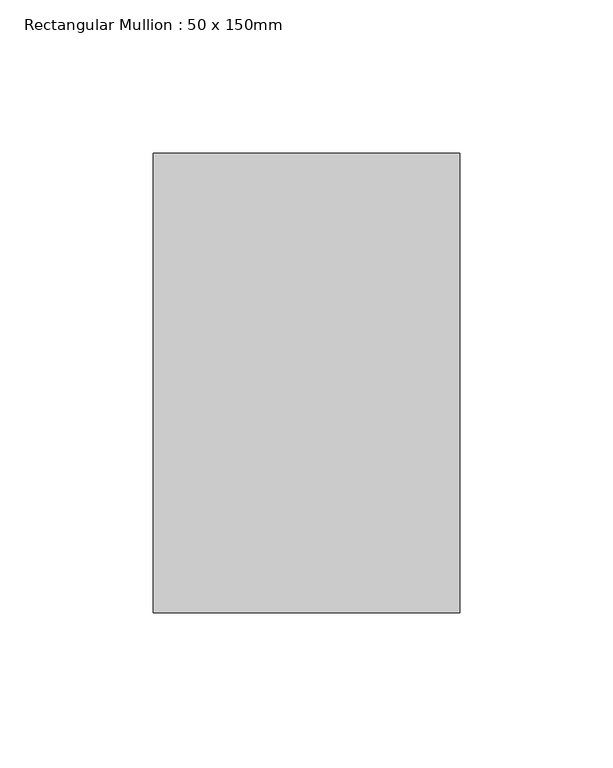
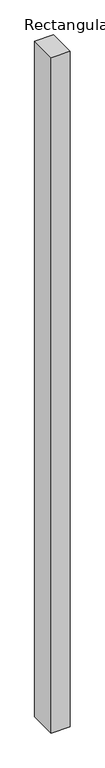
"""IFC4 building model written with IfcOpenShell, lengths in millimetres: member geometry, Rectangular Mullion : 50 x 150mm."""

from ifc_helpers import new_model, si_unit, frame, origin, place, context, project, spatial, polyline, outline, extrude, source, transform, mapped, element, save


def rectangular_mullion_50_x_150mm_9310a40e(model_context):
    return source(origin(), model_context, "Body", "SweptSolid", [
        extrude(outline(polyline([(0.0, 75.0), (0.0, -75.0), (-100.0, -75.0), (-100.0, 75.0), (0.0, 75.0)])), frame((0.0, 0.0, -3756.1608717), z_axis=(0.0, 0.0, 1.0), x_axis=(1.0, 0.0, 0.0)), (0.0, 0.0, 1.0), 3756.1608717),
    ])


if __name__ == "__main__":
    model = new_model("IFC4")
    model_context = context("Model", 3, world=origin())
    ifc_project = project(units=[si_unit("LENGTHUNIT", "METRE", prefix="MILLI")], contexts=[model_context])
    site = spatial("IfcSite", under=ifc_project)
    building = spatial("IfcBuilding", under=site)
    placement = place(None, origin())
    rectangular_mullion_50_x_150mm_shape = rectangular_mullion_50_x_150mm_9310a40e(model_context)
    element("IfcMember", 1, ObjectType="Rectangular Mullion : 50 x 150mm", at=placement, inside=building, context=model_context, shape_type="MappedRepresentation", body=[
        mapped(rectangular_mullion_50_x_150mm_shape, transform((0.0, 0.0, 0.0), x_axis=(1.0, 0.0, 0.0), y_axis=(0.0, 1.0, 0.0), z_axis=(0.0, 0.0, 1.0))),
    ])
    save(model, "model.ifc")
